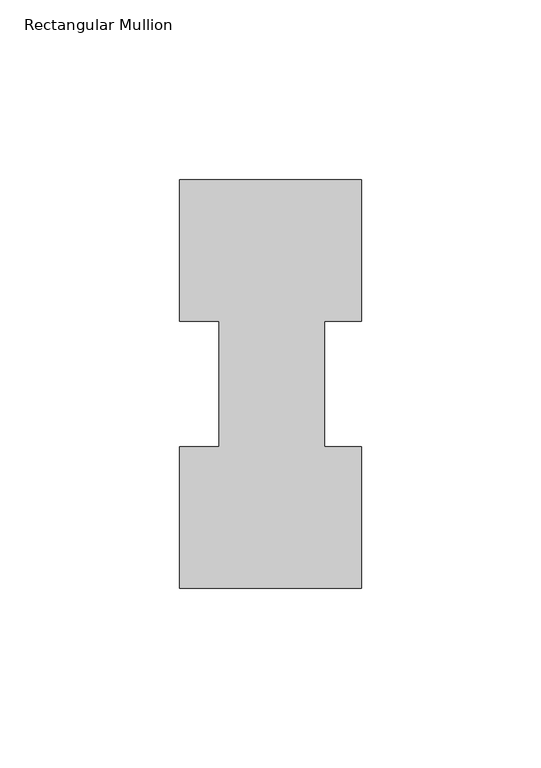
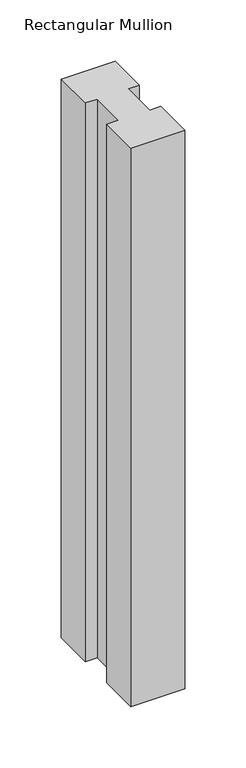
"""IFC4 building model written with IfcOpenShell, lengths in millimetres: member geometry, Rectangular Mullion."""

from ifc_helpers import new_model, si_unit, frame, origin, place, context, project, spatial, polyline, outline, extrude, source, transform, mapped, element, save


def rectangular_mullion_8bfb9e52(model_context):
    return source(origin(), model_context, "Body", "SweptSolid", [
        extrude(outline(polyline([(-50.8, 114.017425), (0.0, 114.017425), (0.0, 74.596625), (-10.3124, 74.596625), (-10.3124, 39.646225), (0.0, 39.646225), (0.0, 0.225425), (-50.8, 0.225425), (-50.8, 39.646225), (-39.6875, 39.646225), (-39.6875, 74.596625), (-50.8, 74.596625), (-50.8, 114.017425)])), frame((0.0, 0.0, -557.2125), z_axis=(0.0, 0.0, 1.0), x_axis=(1.0, 0.0, 0.0)), (0.0, 0.0, 1.0), 557.2125),
    ])


if __name__ == "__main__":
    model = new_model("IFC4")
    model_context = context("Model", 3, world=origin())
    ifc_project = project(units=[si_unit("LENGTHUNIT", "METRE", prefix="MILLI")], contexts=[model_context])
    site = spatial("IfcSite", under=ifc_project)
    building = spatial("IfcBuilding", under=site)
    placement = place(None, origin())
    rectangular_mullion_shape = rectangular_mullion_8bfb9e52(model_context)
    element("IfcMember", 1, ObjectType="Rectangular Mullion", at=placement, inside=building, context=model_context, shape_type="MappedRepresentation", body=[
        mapped(rectangular_mullion_shape, transform((0.0, 0.0, 0.0), x_axis=(1.0, 0.0, 0.0), y_axis=(0.0, 1.0, 0.0), z_axis=(0.0, 0.0, 1.0))),
    ])
    save(model, "model.ifc")
